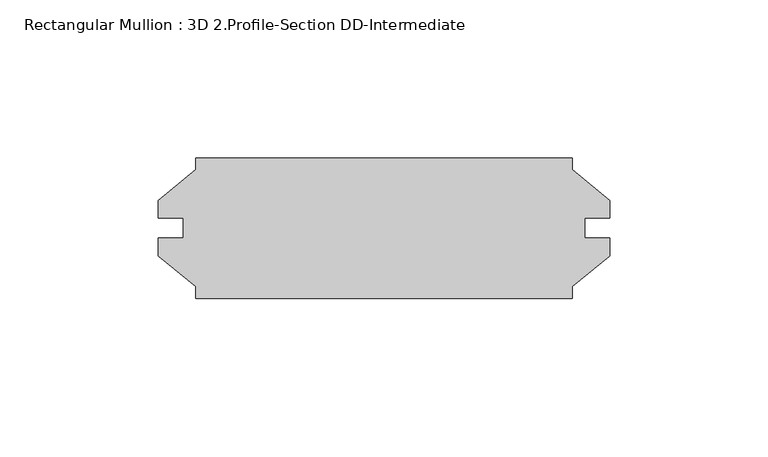
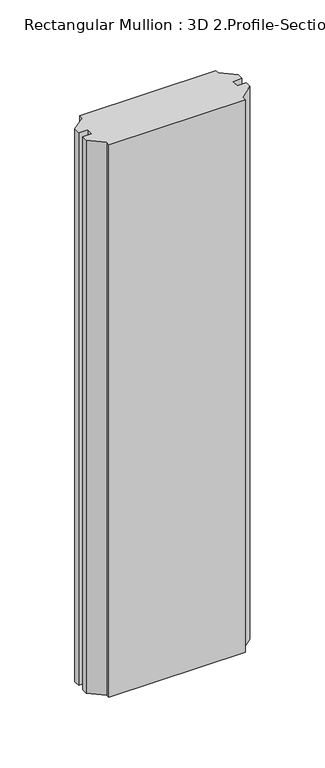
"""IFC4 building model written with IfcOpenShell, lengths in millimetres: member geometry, Rectangular Mullion : 3D 2.Profile-Section DD-Intermediate."""

from ifc_helpers import new_model, si_unit, frame, origin, place, context, project, spatial, polyline, outline, extrude, source, transform, mapped, element, save


def rectangular_mullion_3d_2_profile_section_dd_intermediate_2cc8a494(model_context):
    return source(origin(), model_context, "Body", "SweptSolid", [
        extrude(outline(polyline([(-57.9374, -22.26945), (-57.9374, -18.563286), (-69.84365, -8.79475), (-69.84365, -3.21945), (-61.8998, -3.21945), (-61.8998, 3.13055), (-69.84365, 3.13055), (-69.84365, 8.70585), (-57.9374, 18.474386), (-57.9374, 22.18055), (61.1124, 22.18055), (61.1561509, 18.4384904), (73.01865, 8.70585), (73.01865, 3.13055), (65.0748, 3.13055), (65.0748, -3.21945), (73.01865, -3.21945), (73.01865, -8.79475), (61.1124, -18.563286), (61.1124, -22.26945), (-57.9374, -22.26945)])), frame((0.0, 0.0, -511.18135), z_axis=(0.0, 0.0, 1.0), x_axis=(1.0, 0.0, 0.0)), (0.0, 0.0, 1.0), 511.18135),
    ])


if __name__ == "__main__":
    model = new_model("IFC4")
    model_context = context("Model", 3, world=origin())
    ifc_project = project(units=[si_unit("LENGTHUNIT", "METRE", prefix="MILLI")], contexts=[model_context])
    site = spatial("IfcSite", under=ifc_project)
    building = spatial("IfcBuilding", under=site)
    placement = place(None, origin())
    rectangular_mullion_3d_2_profile_section_dd_intermediate_shape = rectangular_mullion_3d_2_profile_section_dd_intermediate_2cc8a494(model_context)
    element("IfcMember", 1, ObjectType="Rectangular Mullion : 3D 2.Profile-Section DD-Intermediate", at=placement, inside=building, context=model_context, shape_type="MappedRepresentation", body=[
        mapped(rectangular_mullion_3d_2_profile_section_dd_intermediate_shape, transform((0.0, 0.0, 0.0), x_axis=(1.0, 0.0, 0.0), y_axis=(0.0, 1.0, 0.0), z_axis=(0.0, 0.0, 1.0))),
    ])
    save(model, "model.ifc")
